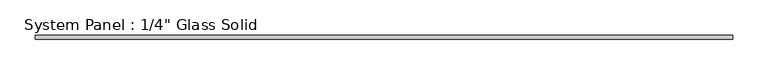
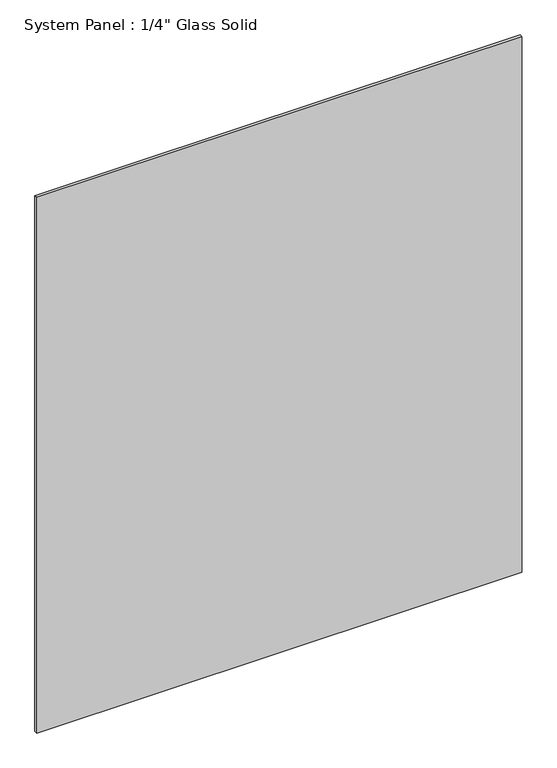
"""IFC4 building model written with IfcOpenShell, lengths in millimetres: plate geometry."""

from ifc_helpers import new_model, si_unit, origin, origin_with_axes, place, context, project, spatial, polyline, outline, extrude, source, transform, mapped, element, save


def plate_f60e16c1(model_context):
    return source(origin(), model_context, "Body", "SweptSolid", [
        extrude(outline(polyline([(498.4758852, -3.175), (-498.4758852, -3.175), (-498.4758852, 3.175), (498.4758852, 3.175), (498.4758852, -3.175)])), origin_with_axes(), (0.0, 0.0, 1.0), 1164.0691382),
    ])


if __name__ == "__main__":
    model = new_model("IFC4")
    model_context = context("Model", 3, world=origin())
    ifc_project = project(units=[si_unit("LENGTHUNIT", "METRE", prefix="MILLI")], contexts=[model_context])
    site = spatial("IfcSite", under=ifc_project)
    building = spatial("IfcBuilding", under=site)
    placement = place(None, origin())
    plate_shape = plate_f60e16c1(model_context)
    element("IfcPlate", 1, ObjectType="System Panel : 1/4\" Glass Solid", at=placement, inside=building, context=model_context, shape_type="MappedRepresentation", body=[
        mapped(plate_shape, transform((0.0, 0.0, 0.0), x_axis=(1.0, 0.0, 0.0), y_axis=(0.0, 1.0, 0.0), z_axis=(0.0, 0.0, 1.0))),
    ])
    save(model, "model.ifc")
